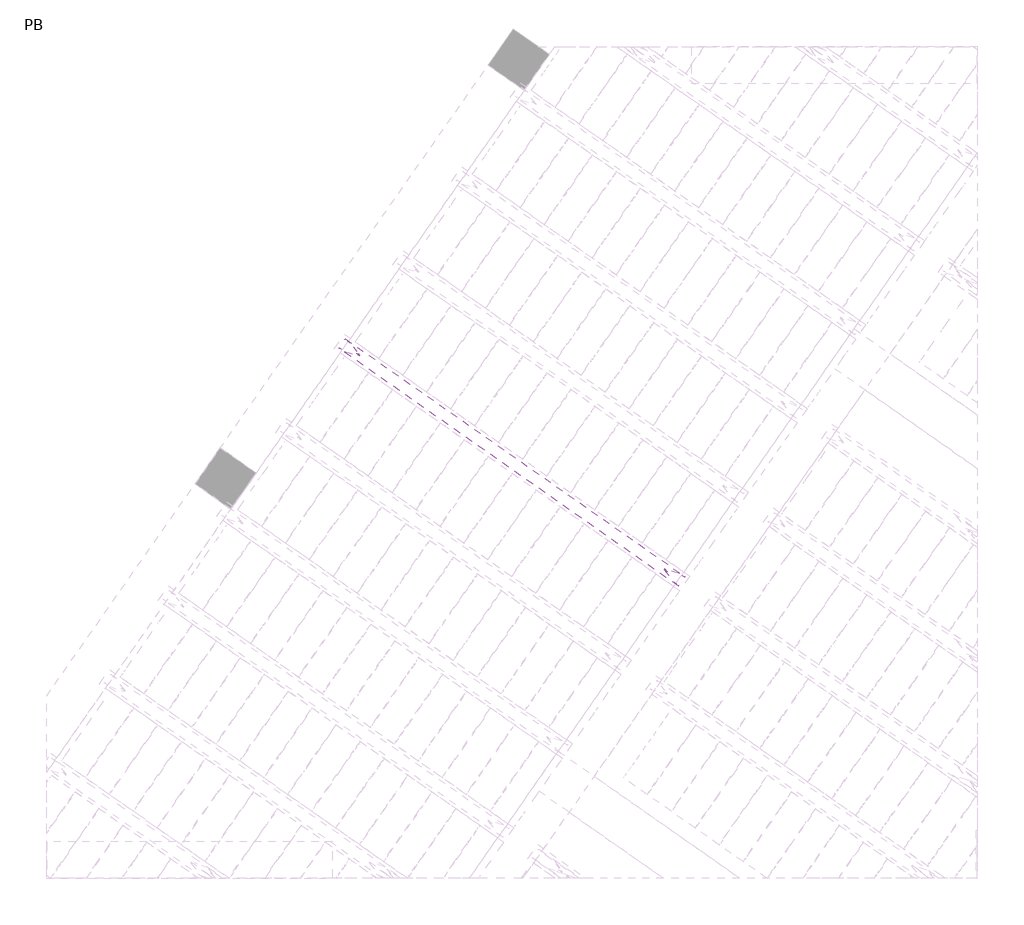
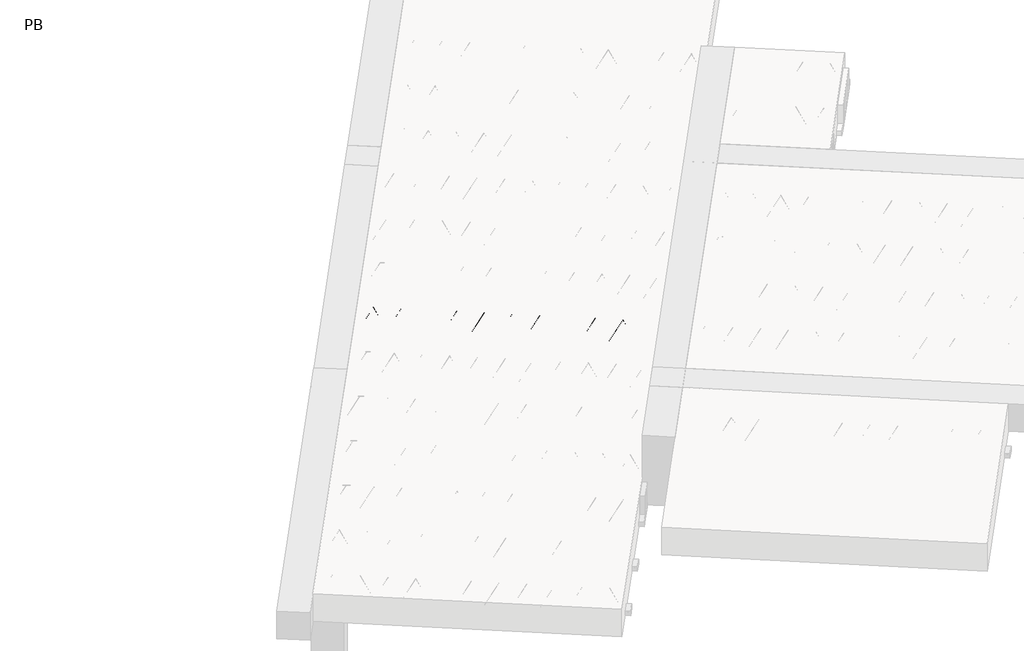
# One storey, part 29 of 56: 1 beam.
"""IFC4 building model written with IfcOpenShell, lengths in millimetres."""

from ifc_helpers import new_model, si_unit, point, frame, origin, origin_2d, place, context, project, spatial, circle_curve, trimmed, segment, composite_curve, outline, extrude, element, save

model = new_model("IFC4")

# Units and contexts
model_context = context("Model", 3, world=origin())
ifc_project = project(units=[si_unit("LENGTHUNIT", "METRE", prefix="MILLI")], contexts=[model_context])

# Site, building, storey
site = spatial("IfcSite", under=ifc_project)
building = spatial("IfcBuilding", under=site)
storey = spatial("IfcBuildingStorey", under=building, Name="PB", Elevation=95940.0)

# Beam
placement = place(None, origin())
element("IfcBeam", 1, at=placement, inside=storey, context=model_context, shape_type="SweptSolid", body=[
    extrude(outline(composite_curve([segment(trimmed(circle_curve(origin_2d(), 2.5), [point((-2.5, 0.0))], [point((2.5, 0.0))], False, "CARTESIAN"), True, "CONTINUOUS"), segment(trimmed(circle_curve(origin_2d(), 2.5), [point((2.5, 0.0))], [point((-2.5, 0.0))], False, "CARTESIAN"), True, "CONTINUOUS")], self_intersect=False)), frame((3551.5226122, 4489.0476001, 98785.0), z_axis=(-0.8191520442696126, 0.5735764363787226, 0.0), x_axis=(0.5735764363787226, 0.8191520442696126, 0.0)), (0.0, 0.0, 1.0), 2836.567774),
    extrude(outline(composite_curve([segment(trimmed(circle_curve(origin_2d(), 2.5), [point((-2.5000001, 0.0))], [point((2.4999999, 0.0))], False, "CARTESIAN"), True, "CONTINUOUS"), segment(trimmed(circle_curve(origin_2d(), 2.5), [point((2.4999999, 0.0))], [point((-2.5000001, 0.0))], False, "CARTESIAN"), True, "CONTINUOUS")], self_intersect=False)), frame((3475.2788762, 4586.3819241, 99010.0), z_axis=(-0.8191520442696126, 0.5735764363787226, 0.0), x_axis=(0.5735764363787226, 0.8191520442696126, 0.0)), (0.0, 0.0, 1.0), 2600.0),
    extrude(outline(composite_curve([segment(trimmed(circle_curve(origin_2d(), 2.5), [point((-2.5000001, 1e-07))], [point((2.5, 1e-07))], False, "CARTESIAN"), True, "CONTINUOUS"), segment(trimmed(circle_curve(origin_2d(), 2.5), [point((2.5, 1e-07))], [point((-2.5000001, 1e-07))], False, "CARTESIAN"), True, "CONTINUOUS")], self_intersect=False)), frame((3516.0665278, 4513.8742177, 98785.0), z_axis=(-0.3145304735701046, 0.38933448886848654, 0.8657304643902053), x_axis=(0.7778747638402499, 0.6284193279813057, 0.0)), (0.0, 0.0, 1.0), 259.8961331),
    extrude(outline(composite_curve([segment(trimmed(circle_curve(origin_2d(), 2.5), [point((2.5, 0.0))], [point((-2.5, 0.0))], False, "CARTESIAN"), True, "CONTINUOUS"), segment(trimmed(circle_curve(origin_2d(), 2.5), [point((-2.5, 0.0))], [point((2.5, 0.0))], False, "CARTESIAN"), True, "CONTINUOUS")], self_intersect=False)), frame((3311.2785167, 4657.2683268, 98785.0), z_axis=(0.47343050384693375, -0.16240172737369005, 0.8657304643902051), x_axis=(-0.3244721671091268, -0.9458952440791246, 0.0)), (0.0, 0.0, 1.0), 259.8961331),
    extrude(outline(composite_curve([segment(trimmed(circle_curve(origin_2d(), 2.5), [point((-2.5, 0.0))], [point((2.5, 1e-07))], False, "CARTESIAN"), True, "CONTINUOUS"), segment(trimmed(circle_curve(origin_2d(), 2.5), [point((2.5, 1e-07))], [point((-2.5, 0.0))], False, "CARTESIAN"), True, "CONTINUOUS")], self_intersect=False)), frame((3311.2785167, 4657.2683268, 98785.0), z_axis=(-0.3145304735701046, 0.38933448886848654, 0.8657304643902053), x_axis=(0.7778747638402499, 0.6284193279813057, 0.0)), (0.0, 0.0, 1.0), 259.8961331),
    extrude(outline(composite_curve([segment(trimmed(circle_curve(origin_2d(), 2.5), [point((2.5, 0.0))], [point((-2.5, 1e-07))], False, "CARTESIAN"), True, "CONTINUOUS"), segment(trimmed(circle_curve(origin_2d(), 2.5), [point((-2.5, 1e-07))], [point((2.5, 0.0))], False, "CARTESIAN"), True, "CONTINUOUS")], self_intersect=False)), frame((3106.4905056, 4800.6624359, 98785.0), z_axis=(0.47343050384693375, -0.16240172737369005, 0.8657304643902051), x_axis=(-0.3244721671091268, -0.9458952440791246, 0.0)), (0.0, 0.0, 1.0), 259.8961331),
    extrude(outline(composite_curve([segment(trimmed(circle_curve(origin_2d(), 2.5), [point((-2.5, 0.0))], [point((2.5, 0.0))], False, "CARTESIAN"), True, "CONTINUOUS"), segment(trimmed(circle_curve(origin_2d(), 2.5), [point((2.5, 0.0))], [point((-2.5, 0.0))], False, "CARTESIAN"), True, "CONTINUOUS")], self_intersect=False)), frame((3106.4905056, 4800.6624359, 98785.0), z_axis=(-0.3145304735701046, 0.38933448886848654, 0.8657304643902053), x_axis=(0.7778747638402499, 0.6284193279813057, 0.0)), (0.0, 0.0, 1.0), 259.8961331),
    extrude(outline(composite_curve([segment(trimmed(circle_curve(origin_2d(), 2.5), [point((2.5, -1e-07))], [point((-2.5, 0.0))], False, "CARTESIAN"), True, "CONTINUOUS"), segment(trimmed(circle_curve(origin_2d(), 2.5), [point((-2.5, 0.0))], [point((2.5, -1e-07))], False, "CARTESIAN"), True, "CONTINUOUS")], self_intersect=False)), frame((2901.7024946, 4944.056545, 98785.0), z_axis=(0.47343050384693375, -0.16240172737369005, 0.8657304643902051), x_axis=(-0.3244721671091268, -0.9458952440791246, 0.0)), (0.0, 0.0, 1.0), 259.8961331),
    extrude(outline(composite_curve([segment(trimmed(circle_curve(origin_2d(), 2.5), [point((-2.5, 0.0))], [point((2.5, 0.0))], False, "CARTESIAN"), True, "CONTINUOUS"), segment(trimmed(circle_curve(origin_2d(), 2.5), [point((2.5, 0.0))], [point((-2.5, 0.0))], False, "CARTESIAN"), True, "CONTINUOUS")], self_intersect=False)), frame((2901.7024946, 4944.056545, 98785.0), z_axis=(-0.3145304735701046, 0.38933448886848654, 0.8657304643902053), x_axis=(0.7778747638402499, 0.6284193279813057, 0.0)), (0.0, 0.0, 1.0), 259.8961331),
    extrude(outline(composite_curve([segment(trimmed(circle_curve(origin_2d(), 2.5), [point((2.5, 0.0))], [point((-2.5, 0.0))], False, "CARTESIAN"), True, "CONTINUOUS"), segment(trimmed(circle_curve(origin_2d(), 2.5), [point((-2.5, 0.0))], [point((2.5, 0.0))], False, "CARTESIAN"), True, "CONTINUOUS")], self_intersect=False)), frame((2696.9144835, 5087.4506541, 98785.0), z_axis=(0.47343050384693375, -0.16240172737369005, 0.8657304643902051), x_axis=(-0.3244721671091268, -0.9458952440791246, 0.0)), (0.0, 0.0, 1.0), 259.8961331),
    extrude(outline(composite_curve([segment(trimmed(circle_curve(origin_2d(), 2.5), [point((-2.5, 0.0))], [point((2.5, 0.0))], False, "CARTESIAN"), True, "CONTINUOUS"), segment(trimmed(circle_curve(origin_2d(), 2.5), [point((2.5, 0.0))], [point((-2.5, 0.0))], False, "CARTESIAN"), True, "CONTINUOUS")], self_intersect=False)), frame((2696.9144834, 5087.4506542, 98785.0), z_axis=(-0.3145304735701046, 0.38933448886848654, 0.8657304643902053), x_axis=(0.7778747638402499, 0.6284193279813057, 0.0)), (0.0, 0.0, 1.0), 259.8961331),
    extrude(outline(composite_curve([segment(trimmed(circle_curve(origin_2d(), 2.5), [point((2.5, 0.0))], [point((-2.5, 1e-07))], False, "CARTESIAN"), True, "CONTINUOUS"), segment(trimmed(circle_curve(origin_2d(), 2.5), [point((-2.5, 1e-07))], [point((2.5, 0.0))], False, "CARTESIAN"), True, "CONTINUOUS")], self_intersect=False)), frame((2492.1264723, 5230.8447633, 98785.0), z_axis=(0.47343050384693375, -0.16240172737369005, 0.8657304643902051), x_axis=(-0.3244721671091268, -0.9458952440791246, 0.0)), (0.0, 0.0, 1.0), 259.8961331),
    extrude(outline(composite_curve([segment(trimmed(circle_curve(origin_2d(), 2.5), [point((-2.5, -1e-07))], [point((2.5000001, -1e-07))], False, "CARTESIAN"), True, "CONTINUOUS"), segment(trimmed(circle_curve(origin_2d(), 2.5), [point((2.5000001, -1e-07))], [point((-2.5, -1e-07))], False, "CARTESIAN"), True, "CONTINUOUS")], self_intersect=False)), frame((2492.1264723, 5230.8447633, 98785.0), z_axis=(-0.3145304735701046, 0.38933448886848654, 0.8657304643902053), x_axis=(0.7778747638402499, 0.6284193279813057, 0.0)), (0.0, 0.0, 1.0), 259.8961331),
    extrude(outline(composite_curve([segment(trimmed(circle_curve(origin_2d(), 2.5), [point((2.5, 0.0))], [point((-2.5, 0.0))], False, "CARTESIAN"), True, "CONTINUOUS"), segment(trimmed(circle_curve(origin_2d(), 2.5), [point((-2.5, 0.0))], [point((2.5, 0.0))], False, "CARTESIAN"), True, "CONTINUOUS")], self_intersect=False)), frame((2287.3384613, 5374.2388724, 98785.0), z_axis=(0.47343050384693375, -0.16240172737369005, 0.8657304643902051), x_axis=(-0.3244721671091268, -0.9458952440791246, 0.0)), (0.0, 0.0, 1.0), 259.8961331),
    extrude(outline(composite_curve([segment(trimmed(circle_curve(origin_2d(), 2.5), [point((-2.5, -1e-07))], [point((2.5, 0.0))], False, "CARTESIAN"), True, "CONTINUOUS"), segment(trimmed(circle_curve(origin_2d(), 2.5), [point((2.5, 0.0))], [point((-2.5, -1e-07))], False, "CARTESIAN"), True, "CONTINUOUS")], self_intersect=False)), frame((2287.3384613, 5374.2388724, 98785.0), z_axis=(-0.3145304735701046, 0.38933448886848654, 0.8657304643902053), x_axis=(0.7778747638402499, 0.6284193279813057, 0.0)), (0.0, 0.0, 1.0), 259.8961331),
    extrude(outline(composite_curve([segment(trimmed(circle_curve(origin_2d(), 2.5), [point((2.5000001, 0.0))], [point((-2.5, 0.0))], False, "CARTESIAN"), True, "CONTINUOUS"), segment(trimmed(circle_curve(origin_2d(), 2.5), [point((-2.5, 0.0))], [point((2.5000001, 0.0))], False, "CARTESIAN"), True, "CONTINUOUS")], self_intersect=False)), frame((2082.5504502, 5517.6329815, 98785.0), z_axis=(0.47343050384693375, -0.16240172737369005, 0.8657304643902051), x_axis=(-0.3244721671091268, -0.9458952440791246, 0.0)), (0.0, 0.0, 1.0), 259.8961331),
    extrude(outline(composite_curve([segment(trimmed(circle_curve(origin_2d(), 2.5), [point((-2.5, -1e-07))], [point((2.5, 0.0))], False, "CARTESIAN"), True, "CONTINUOUS"), segment(trimmed(circle_curve(origin_2d(), 2.5), [point((2.5, 0.0))], [point((-2.5, -1e-07))], False, "CARTESIAN"), True, "CONTINUOUS")], self_intersect=False)), frame((2082.5504502, 5517.6329815, 98785.0), z_axis=(-0.3145304735701046, 0.38933448886848654, 0.8657304643902053), x_axis=(0.7778747638402499, 0.6284193279813057, 0.0)), (0.0, 0.0, 1.0), 259.8961331),
    extrude(outline(composite_curve([segment(trimmed(circle_curve(origin_2d(), 2.5), [point((2.5000001, 0.0))], [point((-2.5, 1e-07))], False, "CARTESIAN"), True, "CONTINUOUS"), segment(trimmed(circle_curve(origin_2d(), 2.5), [point((-2.5, 1e-07))], [point((2.5000001, 0.0))], False, "CARTESIAN"), True, "CONTINUOUS")], self_intersect=False)), frame((1877.7624391, 5661.0270906, 98785.0), z_axis=(0.47343050384693375, -0.16240172737369005, 0.8657304643902051), x_axis=(-0.3244721671091268, -0.9458952440791246, 0.0)), (0.0, 0.0, 1.0), 259.8961331),
    extrude(outline(composite_curve([segment(trimmed(circle_curve(origin_2d(), 2.5), [point((-2.5, -1e-07))], [point((2.5000001, -1e-07))], False, "CARTESIAN"), True, "CONTINUOUS"), segment(trimmed(circle_curve(origin_2d(), 2.5), [point((2.5000001, -1e-07))], [point((-2.5, -1e-07))], False, "CARTESIAN"), True, "CONTINUOUS")], self_intersect=False)), frame((1877.7624391, 5661.0270906, 98785.0), z_axis=(-0.3145304735701046, 0.38933448886848654, 0.8657304643902053), x_axis=(0.7778747638402499, 0.6284193279813057, 0.0)), (0.0, 0.0, 1.0), 259.8961331),
    extrude(outline(composite_curve([segment(trimmed(circle_curve(origin_2d(), 2.5), [point((2.5, 0.0))], [point((-2.5000001, 0.0))], False, "CARTESIAN"), True, "CONTINUOUS"), segment(trimmed(circle_curve(origin_2d(), 2.5), [point((-2.5000001, 0.0))], [point((2.5, 0.0))], False, "CARTESIAN"), True, "CONTINUOUS")], self_intersect=False)), frame((1672.9744281, 5804.4211996, 98785.0), z_axis=(0.47343050384693375, -0.16240172737369005, 0.8657304643902051), x_axis=(-0.3244721671091268, -0.9458952440791246, 0.0)), (0.0, 0.0, 1.0), 259.8961331),
    extrude(outline(composite_curve([segment(trimmed(circle_curve(origin_2d(), 2.5), [point((-2.5, 0.0))], [point((2.5, 1e-07))], False, "CARTESIAN"), True, "CONTINUOUS"), segment(trimmed(circle_curve(origin_2d(), 2.5), [point((2.5, 1e-07))], [point((-2.5, 0.0))], False, "CARTESIAN"), True, "CONTINUOUS")], self_intersect=False)), frame((1672.9744281, 5804.4211996, 98785.0), z_axis=(-0.3145304735701046, 0.38933448886848654, 0.8657304643902053), x_axis=(0.7778747638402499, 0.6284193279813057, 0.0)), (0.0, 0.0, 1.0), 259.8961331),
    extrude(outline(composite_curve([segment(trimmed(circle_curve(origin_2d(), 2.5), [point((2.5, 0.0))], [point((-2.5000001, 0.0))], False, "CARTESIAN"), True, "CONTINUOUS"), segment(trimmed(circle_curve(origin_2d(), 2.5), [point((-2.5000001, 0.0))], [point((2.5, 0.0))], False, "CARTESIAN"), True, "CONTINUOUS")], self_intersect=False)), frame((1468.186417, 5947.8153087, 98785.0), z_axis=(0.47343050384693375, -0.16240172737369005, 0.8657304643902051), x_axis=(-0.3244721671091268, -0.9458952440791246, 0.0)), (0.0, 0.0, 1.0), 259.8961331),
    extrude(outline(composite_curve([segment(trimmed(circle_curve(origin_2d(), 2.5), [point((-2.5, 0.0))], [point((2.5, 1e-07))], False, "CARTESIAN"), True, "CONTINUOUS"), segment(trimmed(circle_curve(origin_2d(), 2.5), [point((2.5, 1e-07))], [point((-2.5, 0.0))], False, "CARTESIAN"), True, "CONTINUOUS")], self_intersect=False)), frame((1468.186417, 5947.8153087, 98785.0), z_axis=(-0.3145304735701046, 0.38933448886848654, 0.8657304643902053), x_axis=(0.7778747638402499, 0.6284193279813057, 0.0)), (0.0, 0.0, 1.0), 259.8961331),
    extrude(outline(composite_curve([segment(trimmed(circle_curve(origin_2d(), 2.5), [point((2.5, 0.0))], [point((-2.5, 1e-07))], False, "CARTESIAN"), True, "CONTINUOUS"), segment(trimmed(circle_curve(origin_2d(), 2.5), [point((-2.5, 1e-07))], [point((2.5, 0.0))], False, "CARTESIAN"), True, "CONTINUOUS")], self_intersect=False)), frame((1263.3984059, 6091.2094178, 98785.0), z_axis=(0.47343050384693375, -0.16240172737369005, 0.8657304643902051), x_axis=(-0.3244721671091268, -0.9458952440791246, 0.0)), (0.0, 0.0, 1.0), 259.8961331),
    extrude(outline(composite_curve([segment(trimmed(circle_curve(origin_2d(), 2.5), [point((-2.5, 0.0))], [point((2.5, 0.0))], False, "CARTESIAN"), True, "CONTINUOUS"), segment(trimmed(circle_curve(origin_2d(), 2.5), [point((2.5, 0.0))], [point((-2.5, 0.0))], False, "CARTESIAN"), True, "CONTINUOUS")], self_intersect=False)), frame((3592.8201156, 4548.0265473, 98785.0), z_axis=(-0.8191520442696126, 0.5735764363787226, 0.0), x_axis=(0.5735764363787226, 0.8191520442696126, 0.0)), (0.0, 0.0, 1.0), 2836.567774),
    extrude(outline(composite_curve([segment(trimmed(circle_curve(origin_2d(), 2.5), [point((-2.5, 0.0))], [point((2.5, 0.0))], False, "CARTESIAN"), True, "CONTINUOUS"), segment(trimmed(circle_curve(origin_2d(), 2.5), [point((2.5, 0.0))], [point((-2.5, 0.0))], False, "CARTESIAN"), True, "CONTINUOUS")], self_intersect=False)), frame((3557.3640312, 4572.8531649, 98785.0), z_axis=(-0.47343050384693375, 0.16240172737369005, 0.8657304643902051), x_axis=(0.3244721671091268, 0.9458952440791246, 0.0)), (0.0, 0.0, 1.0), 259.8961331),
    extrude(outline(composite_curve([segment(trimmed(circle_curve(origin_2d(), 2.5), [point((2.5, 0.0))], [point((-2.5, 0.0))], False, "CARTESIAN"), True, "CONTINUOUS"), segment(trimmed(circle_curve(origin_2d(), 2.5), [point((-2.5, 0.0))], [point((2.5, 0.0))], False, "CARTESIAN"), True, "CONTINUOUS")], self_intersect=False)), frame((3352.5760201, 4716.247274, 98785.0), z_axis=(0.3145304735701046, -0.38933448886848654, 0.8657304643902053), x_axis=(-0.7778747638402499, -0.6284193279813057, 0.0)), (0.0, 0.0, 1.0), 259.8961331),
    extrude(outline(composite_curve([segment(trimmed(circle_curve(origin_2d(), 2.5), [point((-2.5, 0.0))], [point((2.5, 0.0))], False, "CARTESIAN"), True, "CONTINUOUS"), segment(trimmed(circle_curve(origin_2d(), 2.5), [point((2.5, 0.0))], [point((-2.5, 0.0))], False, "CARTESIAN"), True, "CONTINUOUS")], self_intersect=False)), frame((3352.5760201, 4716.247274, 98785.0), z_axis=(-0.47343050384693375, 0.16240172737369005, 0.8657304643902051), x_axis=(0.3244721671091268, 0.9458952440791246, 0.0)), (0.0, 0.0, 1.0), 259.8961331),
    extrude(outline(composite_curve([segment(trimmed(circle_curve(origin_2d(), 2.5), [point((2.5000001, -1e-07))], [point((-2.5, 0.0))], False, "CARTESIAN"), True, "CONTINUOUS"), segment(trimmed(circle_curve(origin_2d(), 2.5), [point((-2.5, 0.0))], [point((2.5000001, -1e-07))], False, "CARTESIAN"), True, "CONTINUOUS")], self_intersect=False)), frame((3147.7880091, 4859.6413831, 98785.0), z_axis=(0.3145304735701046, -0.38933448886848654, 0.8657304643902053), x_axis=(-0.7778747638402499, -0.6284193279813057, 0.0)), (0.0, 0.0, 1.0), 259.8961331),
    extrude(outline(composite_curve([segment(trimmed(circle_curve(origin_2d(), 2.5), [point((-2.5, 1e-07))], [point((2.5, 0.0))], False, "CARTESIAN"), True, "CONTINUOUS"), segment(trimmed(circle_curve(origin_2d(), 2.5), [point((2.5, 0.0))], [point((-2.5, 1e-07))], False, "CARTESIAN"), True, "CONTINUOUS")], self_intersect=False)), frame((3147.7880091, 4859.6413831, 98785.0), z_axis=(-0.47343050384693375, 0.16240172737369005, 0.8657304643902051), x_axis=(0.3244721671091268, 0.9458952440791246, 0.0)), (0.0, 0.0, 1.0), 259.8961331),
    extrude(outline(composite_curve([segment(trimmed(circle_curve(origin_2d(), 2.5), [point((2.5, 0.0))], [point((-2.5, 0.0))], False, "CARTESIAN"), True, "CONTINUOUS"), segment(trimmed(circle_curve(origin_2d(), 2.5), [point((-2.5, 0.0))], [point((2.5, 0.0))], False, "CARTESIAN"), True, "CONTINUOUS")], self_intersect=False)), frame((2942.999998, 5003.0354922, 98785.0), z_axis=(0.3145304735701046, -0.38933448886848654, 0.8657304643902053), x_axis=(-0.7778747638402499, -0.6284193279813057, 0.0)), (0.0, 0.0, 1.0), 259.8961331),
    extrude(outline(composite_curve([segment(trimmed(circle_curve(origin_2d(), 2.5), [point((-2.5, 0.0))], [point((2.5, 0.0))], False, "CARTESIAN"), True, "CONTINUOUS"), segment(trimmed(circle_curve(origin_2d(), 2.5), [point((2.5, 0.0))], [point((-2.5, 0.0))], False, "CARTESIAN"), True, "CONTINUOUS")], self_intersect=False)), frame((2942.999998, 5003.0354922, 98785.0), z_axis=(-0.47343050384693375, 0.16240172737369005, 0.8657304643902051), x_axis=(0.3244721671091268, 0.9458952440791246, 0.0)), (0.0, 0.0, 1.0), 259.8961331),
    extrude(outline(composite_curve([segment(trimmed(circle_curve(origin_2d(), 2.5), [point((2.5, 0.0))], [point((-2.5, 0.0))], False, "CARTESIAN"), True, "CONTINUOUS"), segment(trimmed(circle_curve(origin_2d(), 2.5), [point((-2.5, 0.0))], [point((2.5, 0.0))], False, "CARTESIAN"), True, "CONTINUOUS")], self_intersect=False)), frame((2738.2119869, 5146.4296013, 98785.0), z_axis=(0.3145304735701046, -0.38933448886848654, 0.8657304643902053), x_axis=(-0.7778747638402499, -0.6284193279813057, 0.0)), (0.0, 0.0, 1.0), 259.8961331),
    extrude(outline(composite_curve([segment(trimmed(circle_curve(origin_2d(), 2.5), [point((-2.5, 0.0))], [point((2.5, -1e-07))], False, "CARTESIAN"), True, "CONTINUOUS"), segment(trimmed(circle_curve(origin_2d(), 2.5), [point((2.5, -1e-07))], [point((-2.5, 0.0))], False, "CARTESIAN"), True, "CONTINUOUS")], self_intersect=False)), frame((2738.2119868, 5146.4296014, 98785.0), z_axis=(-0.47343050384693375, 0.16240172737369005, 0.8657304643902051), x_axis=(0.3244721671091268, 0.9458952440791246, 0.0)), (0.0, 0.0, 1.0), 259.8961331),
    extrude(outline(composite_curve([segment(trimmed(circle_curve(origin_2d(), 2.5), [point((2.5, 1e-07))], [point((-2.5, 0.0))], False, "CARTESIAN"), True, "CONTINUOUS"), segment(trimmed(circle_curve(origin_2d(), 2.5), [point((-2.5, 0.0))], [point((2.5, 1e-07))], False, "CARTESIAN"), True, "CONTINUOUS")], self_intersect=False)), frame((2533.4239758, 5289.8237105, 98785.0), z_axis=(0.3145304735701046, -0.38933448886848654, 0.8657304643902053), x_axis=(-0.7778747638402499, -0.6284193279813057, 0.0)), (0.0, 0.0, 1.0), 259.8961331),
    extrude(outline(composite_curve([segment(trimmed(circle_curve(origin_2d(), 2.5), [point((-2.5000001, 0.0))], [point((2.5, 0.0))], False, "CARTESIAN"), True, "CONTINUOUS"), segment(trimmed(circle_curve(origin_2d(), 2.5), [point((2.5, 0.0))], [point((-2.5000001, 0.0))], False, "CARTESIAN"), True, "CONTINUOUS")], self_intersect=False)), frame((2533.4239758, 5289.8237105, 98785.0), z_axis=(-0.47343050384693375, 0.16240172737369005, 0.8657304643902051), x_axis=(0.3244721671091268, 0.9458952440791246, 0.0)), (0.0, 0.0, 1.0), 259.8961331),
    extrude(outline(composite_curve([segment(trimmed(circle_curve(origin_2d(), 2.5), [point((2.5, 0.0))], [point((-2.5, -1e-07))], False, "CARTESIAN"), True, "CONTINUOUS"), segment(trimmed(circle_curve(origin_2d(), 2.5), [point((-2.5, -1e-07))], [point((2.5, 0.0))], False, "CARTESIAN"), True, "CONTINUOUS")], self_intersect=False)), frame((2328.6359647, 5433.2178195, 98785.0), z_axis=(0.3145304735701046, -0.38933448886848654, 0.8657304643902053), x_axis=(-0.7778747638402499, -0.6284193279813057, 0.0)), (0.0, 0.0, 1.0), 259.8961331),
    extrude(outline(composite_curve([segment(trimmed(circle_curve(origin_2d(), 2.5), [point((-2.5000001, 0.0))], [point((2.5, 0.0))], False, "CARTESIAN"), True, "CONTINUOUS"), segment(trimmed(circle_curve(origin_2d(), 2.5), [point((2.5, 0.0))], [point((-2.5000001, 0.0))], False, "CARTESIAN"), True, "CONTINUOUS")], self_intersect=False)), frame((2328.6359647, 5433.2178196, 98785.0), z_axis=(-0.47343050384693375, 0.16240172737369005, 0.8657304643902051), x_axis=(0.3244721671091268, 0.9458952440791246, 0.0)), (0.0, 0.0, 1.0), 259.8961331),
    extrude(outline(composite_curve([segment(trimmed(circle_curve(origin_2d(), 2.5), [point((2.5, 0.0))], [point((-2.5, -1e-07))], False, "CARTESIAN"), True, "CONTINUOUS"), segment(trimmed(circle_curve(origin_2d(), 2.5), [point((-2.5, -1e-07))], [point((2.5, 0.0))], False, "CARTESIAN"), True, "CONTINUOUS")], self_intersect=False)), frame((2123.8479536, 5576.6119286, 98785.0), z_axis=(0.3145304735701046, -0.38933448886848654, 0.8657304643902053), x_axis=(-0.7778747638402499, -0.6284193279813057, 0.0)), (0.0, 0.0, 1.0), 259.8961331),
    extrude(outline(composite_curve([segment(trimmed(circle_curve(origin_2d(), 2.5), [point((-2.5, 0.0))], [point((2.5000001, 0.0))], False, "CARTESIAN"), True, "CONTINUOUS"), segment(trimmed(circle_curve(origin_2d(), 2.5), [point((2.5000001, 0.0))], [point((-2.5, 0.0))], False, "CARTESIAN"), True, "CONTINUOUS")], self_intersect=False)), frame((2123.8479536, 5576.6119286, 98785.0), z_axis=(-0.47343050384693375, 0.16240172737369005, 0.8657304643902051), x_axis=(0.3244721671091268, 0.9458952440791246, 0.0)), (0.0, 0.0, 1.0), 259.8961331),
    extrude(outline(composite_curve([segment(trimmed(circle_curve(origin_2d(), 2.5), [point((2.5, 0.0))], [point((-2.5, -1e-07))], False, "CARTESIAN"), True, "CONTINUOUS"), segment(trimmed(circle_curve(origin_2d(), 2.5), [point((-2.5, -1e-07))], [point((2.5, 0.0))], False, "CARTESIAN"), True, "CONTINUOUS")], self_intersect=False)), frame((1919.0599426, 5720.0060377, 98785.0), z_axis=(0.3145304735701046, -0.38933448886848654, 0.8657304643902053), x_axis=(-0.7778747638402499, -0.6284193279813057, 0.0)), (0.0, 0.0, 1.0), 259.8961331),
    extrude(outline(composite_curve([segment(trimmed(circle_curve(origin_2d(), 2.5), [point((-2.5, 1e-07))], [point((2.5000001, 0.0))], False, "CARTESIAN"), True, "CONTINUOUS"), segment(trimmed(circle_curve(origin_2d(), 2.5), [point((2.5000001, 0.0))], [point((-2.5, 1e-07))], False, "CARTESIAN"), True, "CONTINUOUS")], self_intersect=False)), frame((1919.0599426, 5720.0060377, 98785.0), z_axis=(-0.47343050384693375, 0.16240172737369005, 0.8657304643902051), x_axis=(0.3244721671091268, 0.9458952440791246, 0.0)), (0.0, 0.0, 1.0), 259.8961331),
    extrude(outline(composite_curve([segment(trimmed(circle_curve(origin_2d(), 2.5), [point((2.5, 0.0))], [point((-2.5, -1e-07))], False, "CARTESIAN"), True, "CONTINUOUS"), segment(trimmed(circle_curve(origin_2d(), 2.5), [point((-2.5, -1e-07))], [point((2.5, 0.0))], False, "CARTESIAN"), True, "CONTINUOUS")], self_intersect=False)), frame((1714.2719315, 5863.4001468, 98785.0), z_axis=(0.3145304735701046, -0.38933448886848654, 0.8657304643902053), x_axis=(-0.7778747638402499, -0.6284193279813057, 0.0)), (0.0, 0.0, 1.0), 259.8961331),
    extrude(outline(composite_curve([segment(trimmed(circle_curve(origin_2d(), 2.5), [point((-2.5, 0.0))], [point((2.5, 0.0))], False, "CARTESIAN"), True, "CONTINUOUS"), segment(trimmed(circle_curve(origin_2d(), 2.5), [point((2.5, 0.0))], [point((-2.5, 0.0))], False, "CARTESIAN"), True, "CONTINUOUS")], self_intersect=False)), frame((1714.2719315, 5863.4001468, 98785.0), z_axis=(-0.47343050384693375, 0.16240172737369005, 0.8657304643902051), x_axis=(0.3244721671091268, 0.9458952440791246, 0.0)), (0.0, 0.0, 1.0), 259.8961331),
    extrude(outline(composite_curve([segment(trimmed(circle_curve(origin_2d(), 2.5), [point((2.5, 0.0))], [point((-2.5, 0.0))], False, "CARTESIAN"), True, "CONTINUOUS"), segment(trimmed(circle_curve(origin_2d(), 2.5), [point((-2.5, 0.0))], [point((2.5, 0.0))], False, "CARTESIAN"), True, "CONTINUOUS")], self_intersect=False)), frame((1509.4839204, 6006.7942559, 98785.0), z_axis=(0.3145304735701046, -0.38933448886848654, 0.8657304643902053), x_axis=(-0.7778747638402499, -0.6284193279813057, 0.0)), (0.0, 0.0, 1.0), 259.8961331),
    extrude(outline(composite_curve([segment(trimmed(circle_curve(origin_2d(), 2.5), [point((-2.5, 0.0))], [point((2.5, 0.0))], False, "CARTESIAN"), True, "CONTINUOUS"), segment(trimmed(circle_curve(origin_2d(), 2.5), [point((2.5, 0.0))], [point((-2.5, 0.0))], False, "CARTESIAN"), True, "CONTINUOUS")], self_intersect=False)), frame((1509.4839204, 6006.7942559, 98785.0), z_axis=(-0.47343050384693375, 0.16240172737369005, 0.8657304643902051), x_axis=(0.3244721671091268, 0.9458952440791246, 0.0)), (0.0, 0.0, 1.0), 259.8961331),
    extrude(outline(composite_curve([segment(trimmed(circle_curve(origin_2d(), 2.5), [point((2.5, 0.0))], [point((-2.5, 0.0))], False, "CARTESIAN"), True, "CONTINUOUS"), segment(trimmed(circle_curve(origin_2d(), 2.5), [point((-2.5, 0.0))], [point((2.5, 0.0))], False, "CARTESIAN"), True, "CONTINUOUS")], self_intersect=False)), frame((1304.6959094, 6150.188365, 98785.0), z_axis=(0.3145304735701046, -0.38933448886848654, 0.8657304643902053), x_axis=(-0.7778747638402499, -0.6284193279813057, 0.0)), (0.0, 0.0, 1.0), 259.8961331),
])

save(model, "model.ifc")
